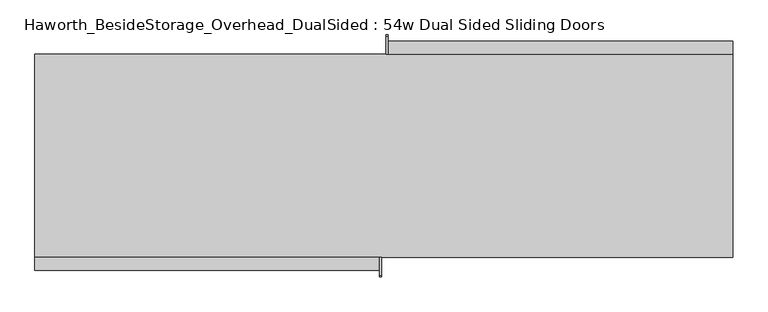
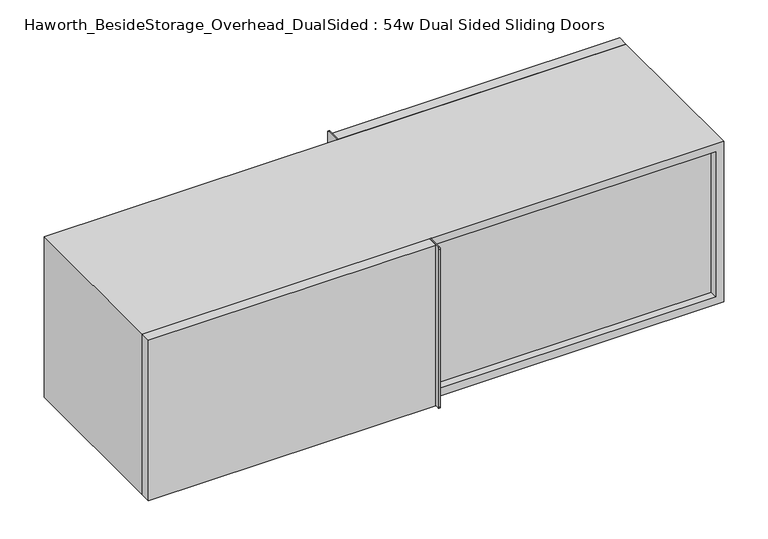
"""IFC4 building model written with IfcOpenShell, lengths in millimetres: furniture geometry, Haworth_BesideStorage_Overhead_DualSided : 54w Dual Sided Sliding Doors."""

from ifc_helpers import new_model, si_unit, point, frame, frame_2d, origin, place, context, project, spatial, polyline, circle_curve, trimmed, segment, composite_curve, outline, extrude, source, transform, mapped, element, save


def haworth_besidestorage_overhead_dualsided_54w_dual_sided_8595d736(model_context):
    return source(origin(), model_context, "Body", "SweptSolid", [
        extrude(outline(composite_curve([segment(polyline([(-3.175, 1162.05), (31.75, 1162.05)]), True, "CONTINUOUS"), segment(trimmed(circle_curve(frame_2d((31.75, 1158.875)), 3.175), [point((31.75, 1162.05))], [point((34.925, 1158.875))], False, "CARTESIAN"), True, "CONTINUOUS"), segment(polyline([(34.925, 1158.875), (34.925, 765.175)]), True, "CONTINUOUS"), segment(trimmed(circle_curve(frame_2d((31.75, 765.175)), 3.175), [point((34.925, 765.175))], [point((31.75, 762.0))], False, "CARTESIAN"), True, "CONTINUOUS"), segment(polyline([(31.75, 762.0), (-3.175, 762.0), (-3.175, 1162.05)]), True, "CONTINUOUS")], self_intersect=False)), frame((-68.0434159, 0.0, 0.0), z_axis=(1.0, 0.0, 0.0), x_axis=(0.0, 1.0, 0.0)), (0.0, 0.0, 1.0), 3.175),
        extrude(outline(polyline([(612.9940841, -3.175), (-64.8684159, -3.175), (-64.8684159, 22.225), (612.9940841, 22.225), (612.9940841, -3.175)])), frame((0.0, 0.0, 762.0), z_axis=(0.0, 0.0, 1.0), x_axis=(1.0, 0.0, 0.0)), (0.0, 0.0, 1.0), 400.05),
        extrude(outline(composite_curve([segment(polyline([(-403.225, 1162.05), (-403.225, 762.0), (-438.15, 762.0)]), True, "CONTINUOUS"), segment(trimmed(circle_curve(frame_2d((-438.15, 765.175)), 3.175), [point((-438.15, 762.0))], [point((-441.325, 765.175))], False, "CARTESIAN"), True, "CONTINUOUS"), segment(polyline([(-441.325, 765.175), (-441.325, 1158.875)]), True, "CONTINUOUS"), segment(trimmed(circle_curve(frame_2d((-438.15, 1158.875)), 3.175), [point((-441.325, 1158.875))], [point((-438.15, 1162.05))], False, "CARTESIAN"), True, "CONTINUOUS"), segment(polyline([(-438.15, 1162.05), (-403.225, 1162.05)]), True, "CONTINUOUS")], self_intersect=False)), frame((-80.7434159, 0.0, 0.0), z_axis=(1.0, 0.0, 0.0), x_axis=(0.0, 1.0, 0.0)), (0.0, 0.0, 1.0), 3.175),
        extrude(outline(polyline([(-758.6059159, -403.225), (-80.7434159, -403.225), (-80.7434159, -428.625), (-758.6059159, -428.625), (-758.6059159, -403.225)])), frame((0.0, 0.0, 762.0), z_axis=(0.0, 0.0, 1.0), x_axis=(1.0, 0.0, 0.0)), (0.0, 0.0, 1.0), 400.05),
        extrude(outline(polyline([(-64.8684159, -371.475), (593.9440841, -371.475), (593.9440841, -384.175), (-64.8684159, -384.175), (-64.8684159, -371.475)])), frame((0.0, 0.0, 781.05), z_axis=(0.0, 0.0, 1.0), x_axis=(1.0, 0.0, 0.0)), (0.0, 0.0, 1.0), 361.95),
        extrude(outline(polyline([(-739.5559159, -22.225), (-80.7434159, -22.225), (-80.7434159, -34.925), (-739.5559159, -34.925), (-739.5559159, -22.225)])), frame((0.0, 0.0, 781.05), z_axis=(0.0, 0.0, 1.0), x_axis=(1.0, 0.0, 0.0)), (0.0, 0.0, 1.0), 361.95),
        extrude(outline(polyline([(762.0, 612.9940841), (1162.05, 612.9940841), (1162.05, -758.6059159), (762.0, -758.6059159), (762.0, 612.9940841)]), holes=[polyline([(1143.0, -80.7434159), (781.05, -80.7434159), (781.05, -739.5559159), (1143.0, -739.5559159), (1143.0, -80.7434159)]), polyline([(781.05, 593.9440841), (781.05, -64.8684159), (1143.0, -64.8684159), (1143.0, 593.9440841), (781.05, 593.9440841)])]), frame((0.0, -403.225, 0.0), z_axis=(0.0, 1.0, 0.0), x_axis=(0.0, 0.0, 1.0)), (0.0, 0.0, 1.0), 400.05),
    ])


if __name__ == "__main__":
    model = new_model("IFC4")
    model_context = context("Model", 3, world=origin())
    ifc_project = project(units=[si_unit("LENGTHUNIT", "METRE", prefix="MILLI")], contexts=[model_context])
    site = spatial("IfcSite", under=ifc_project)
    building = spatial("IfcBuilding", under=site)
    placement = place(None, origin())
    haworth_besidestorage_overhead_dualsided_54w_dual_sided_shape = haworth_besidestorage_overhead_dualsided_54w_dual_sided_8595d736(model_context)
    element("IfcFurniture", 1, ObjectType="Haworth_BesideStorage_Overhead_DualSided : 54w Dual Sided Sliding Doors", at=placement, inside=building, context=model_context, shape_type="MappedRepresentation", body=[
        mapped(haworth_besidestorage_overhead_dualsided_54w_dual_sided_shape, transform((0.0, 0.0, 0.0), x_axis=(1.0, 0.0, 0.0), y_axis=(0.0, 1.0, 0.0), z_axis=(0.0, 0.0, 1.0))),
    ])
    save(model, "model.ifc")
